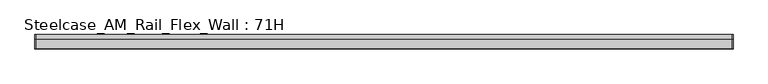
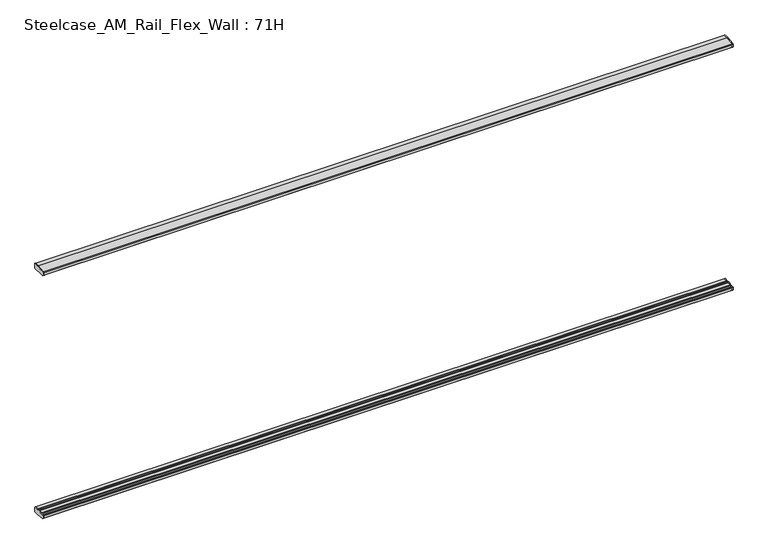
"""IFC4 building model written with IfcOpenShell, lengths in millimetres: furniture geometry, Steelcase_AM_Rail_Flex_Wall : 71H."""

from ifc_helpers import new_model, si_unit, frame, origin, place, context, project, spatial, polyline, outline, extrude, source, transform, mapped, element, save


def steelcase_am_rail_flex_wall_71h_5c204bf1(model_context):
    return source(origin(), model_context, "Body", "SweptSolid", [
        extrude(outline(polyline([(-29.748384, 494.399958), (-2.0015978, 494.399958), (0.0, 492.39833), (0.0, 457.2), (-31.7483991, 457.2), (-95.5653908, 462.6914284), (-99.9999601, 467.5239814), (-99.9999601, 486.7480995), (-98.0172056, 488.9021347), (-73.1435844, 490.9657693), (-50.3978144, 493.0470375), (-29.748384, 494.399958)])), frame((4881.7858875, 0.0, 0.0), z_axis=(1.0, 0.0, 0.0), x_axis=(0.0, 1.0, 0.0)), (0.0, 0.0, 1.0), 4.9857422),
        extrude(outline(polyline([(-29.748384, 2278.9875964), (-50.3978144, 2280.3405169), (-73.1435844, 2282.4217851), (-98.0172056, 2284.4854198), (-99.9999601, 2286.639455), (-99.9999601, 2305.8635731), (-95.5653908, 2310.6961261), (-31.7483991, 2316.1875545), (0.0, 2316.1875545), (0.0, 2280.9892245), (-2.0015978, 2278.9875964), (-29.748384, 2278.9875964)])), frame((4881.7858875, 0.0, 0.0), z_axis=(1.0, 0.0, 0.0), x_axis=(0.0, 1.0, 0.0)), (0.0, 0.0, 1.0), 4.9857422),
        extrude(outline(polyline([(-29.748384, 494.399958), (-2.0015978, 494.399958), (0.0, 492.39833), (0.0, 457.2), (-31.7483991, 457.2), (-95.5653908, 462.6914284), (-99.9999601, 467.5239814), (-99.9999601, 486.7480995), (-98.0172056, 488.9021347), (-73.1435844, 490.9657693), (-50.3978144, 493.0470375), (-29.748384, 494.399958)])), frame((0.0, 0.0, 0.0), z_axis=(1.0, 0.0, 0.0), x_axis=(0.0, 1.0, 0.0)), (0.0, 0.0, 1.0), 4.9857422),
        extrude(outline(polyline([(-29.748384, 2278.9875964), (-50.3978144, 2280.3405169), (-73.1435844, 2282.4217851), (-98.0172056, 2284.4854198), (-99.9999601, 2286.639455), (-99.9999601, 2305.8635731), (-95.5653908, 2310.6961261), (-31.7483991, 2316.1875545), (0.0, 2316.1875545), (0.0, 2280.9892245), (-2.0015978, 2278.9875964), (-29.748384, 2278.9875964)])), frame((0.0, 0.0, 0.0), z_axis=(1.0, 0.0, 0.0), x_axis=(0.0, 1.0, 0.0)), (0.0, 0.0, 1.0), 4.9857422),
        extrude(outline(polyline([(0.0, 492.39833), (0.0, 457.2), (-31.7483991, 457.2), (-95.5653908, 462.6914284), (-99.9999606, 467.5239822), (-99.9999598, 486.7480995), (-98.0172056, 488.9021347), (-93.9826847, 489.2368579), (-91.9999743, 487.4118187), (-91.9999735, 484.9937772), (-75.1383227, 484.9937772), (-75.1383233, 488.7986526), (-73.1435844, 490.9657693), (-50.3978144, 493.0470375), (-48.4030258, 491.016882), (-48.4030258, 484.9937772), (-31.7499758, 484.9937772), (-31.7499758, 492.398336), (-29.748384, 494.399958), (-2.0015978, 494.399958), (0.0, 492.39833)])), frame((4.9857422, 0.0, 0.0), z_axis=(1.0, 0.0, 0.0), x_axis=(0.0, 1.0, 0.0)), (0.0, 0.0, 1.0), 4876.8001453),
        extrude(outline(polyline([(0.0, 2280.9892245), (-2.0015978, 2278.9875964), (-29.748384, 2278.9875964), (-31.7499758, 2280.9892185), (-31.7499758, 2288.3937772), (-48.4030258, 2288.3937772), (-48.4030258, 2282.3706725), (-50.3978144, 2280.3405169), (-73.1435844, 2282.4217851), (-75.1383233, 2284.5889019), (-75.1383227, 2288.3937772), (-91.9999735, 2288.3937772), (-91.9999743, 2285.9757358), (-93.9826847, 2284.1506966), (-98.0172056, 2284.4854198), (-99.9999601, 2286.6394553), (-99.9999601, 2305.8635728), (-95.5653908, 2310.6961261), (-31.7483991, 2316.1875545), (0.0, 2316.1875545), (0.0, 2280.9892245)])), frame((4.9857422, 0.0, 0.0), z_axis=(1.0, 0.0, 0.0), x_axis=(0.0, 1.0, 0.0)), (0.0, 0.0, 1.0), 4876.8001453),
    ])


if __name__ == "__main__":
    model = new_model("IFC4")
    model_context = context("Model", 3, world=origin())
    ifc_project = project(units=[si_unit("LENGTHUNIT", "METRE", prefix="MILLI")], contexts=[model_context])
    site = spatial("IfcSite", under=ifc_project)
    building = spatial("IfcBuilding", under=site)
    placement = place(None, origin())
    steelcase_am_rail_flex_wall_71h_shape = steelcase_am_rail_flex_wall_71h_5c204bf1(model_context)
    element("IfcFurniture", 1, ObjectType="Steelcase_AM_Rail_Flex_Wall : 71H", at=placement, inside=building, context=model_context, shape_type="MappedRepresentation", body=[
        mapped(steelcase_am_rail_flex_wall_71h_shape, transform((0.0, 0.0, 0.0), x_axis=(1.0, 0.0, 0.0), y_axis=(0.0, 1.0, 0.0), z_axis=(0.0, 0.0, 1.0))),
    ])
    save(model, "model.ifc")
